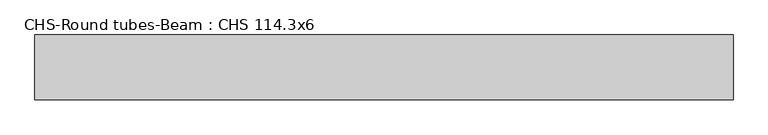
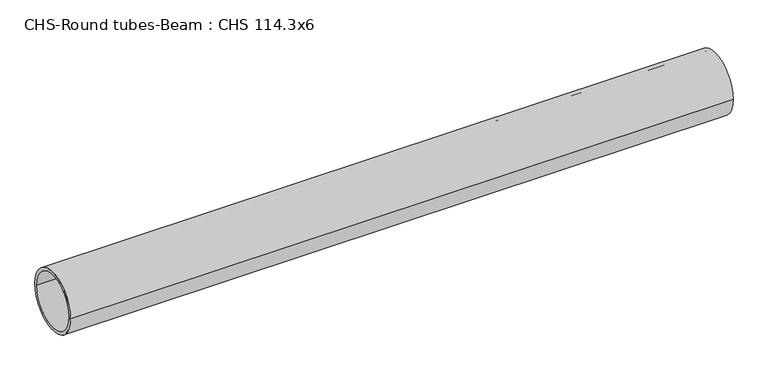
"""IFC4 building model written with IfcOpenShell, lengths in millimetres: beam geometry, CHS-Round tubes-Beam : CHS 114.3x6."""

from ifc_helpers import new_model, si_unit, point, frame, origin, origin_2d, place, context, project, spatial, circle_curve, trimmed, segment, composite_curve, outline, extrude, source, transform, mapped, element, save


def chs_round_tubes_beam_chs_114_3x6_71e9ba65(model_context):
    return source(origin(), model_context, "Body", "SweptSolid", [
        extrude(outline(composite_curve([segment(trimmed(circle_curve(origin_2d(), 57.15), [point((57.15, 0.0))], [point((-57.15, 0.0))], False, "CARTESIAN"), True, "CONTINUOUS"), segment(trimmed(circle_curve(origin_2d(), 57.15), [point((-57.15, 0.0))], [point((57.15, 0.0))], False, "CARTESIAN"), True, "CONTINUOUS")], self_intersect=False), holes=[composite_curve([segment(trimmed(circle_curve(origin_2d(), 51.15), [point((51.15, 0.0))], [point((-51.15, 0.0))], True, "CARTESIAN"), True, "CONTINUOUS"), segment(trimmed(circle_curve(origin_2d(), 51.15), [point((-51.15, 0.0))], [point((51.15, 0.0))], True, "CARTESIAN"), True, "CONTINUOUS")], self_intersect=False)]), frame((-615.05, 0.0, 0.0), z_axis=(1.0, 0.0, 0.0), x_axis=(0.0, 1.0, 0.0)), (0.0, 0.0, 1.0), 1230.1),
    ])


if __name__ == "__main__":
    model = new_model("IFC4")
    model_context = context("Model", 3, world=origin())
    ifc_project = project(units=[si_unit("LENGTHUNIT", "METRE", prefix="MILLI")], contexts=[model_context])
    site = spatial("IfcSite", under=ifc_project)
    building = spatial("IfcBuilding", under=site)
    placement = place(None, origin())
    chs_round_tubes_beam_chs_114_3x6_shape = chs_round_tubes_beam_chs_114_3x6_71e9ba65(model_context)
    element("IfcBeam", 1, ObjectType="CHS-Round tubes-Beam : CHS 114.3x6", at=placement, inside=building, context=model_context, shape_type="MappedRepresentation", body=[
        mapped(chs_round_tubes_beam_chs_114_3x6_shape, transform((0.0, 0.0, 0.0), x_axis=(1.0, 0.0, 0.0), y_axis=(0.0, 1.0, 0.0), z_axis=(0.0, 0.0, 1.0))),
    ])
    save(model, "model.ifc")
